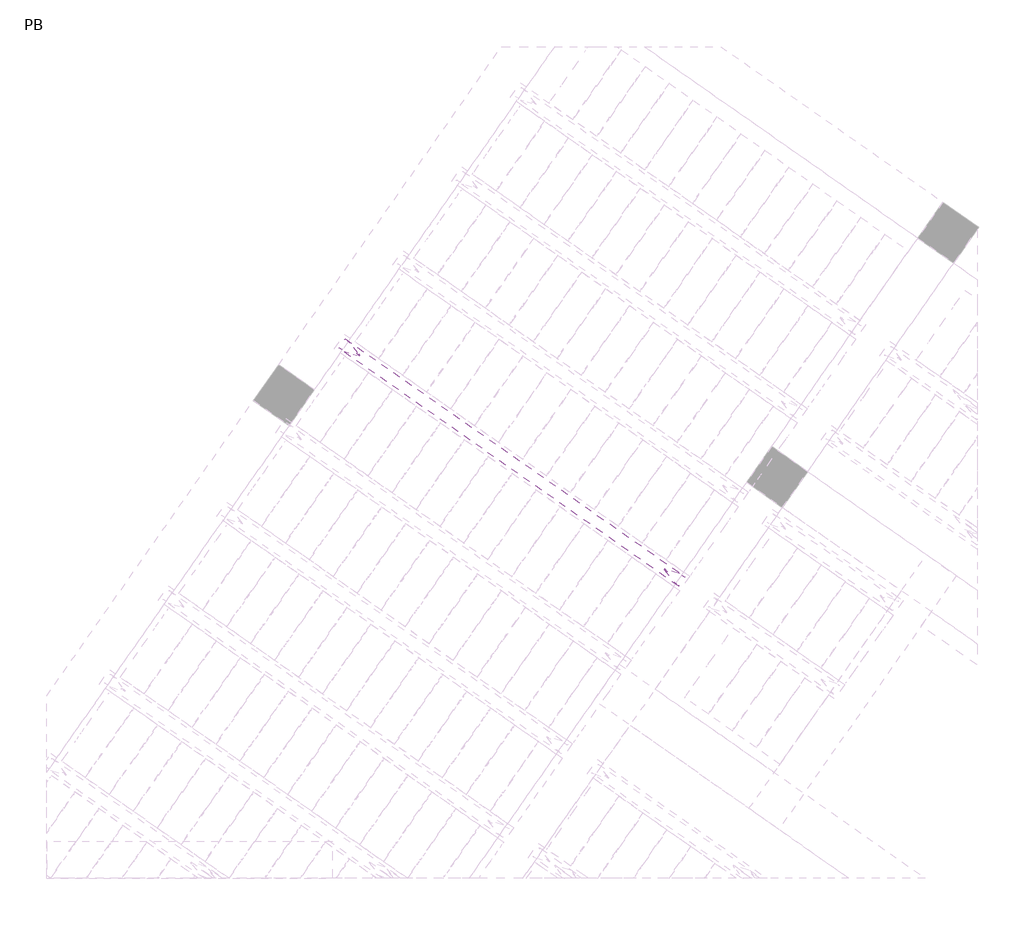
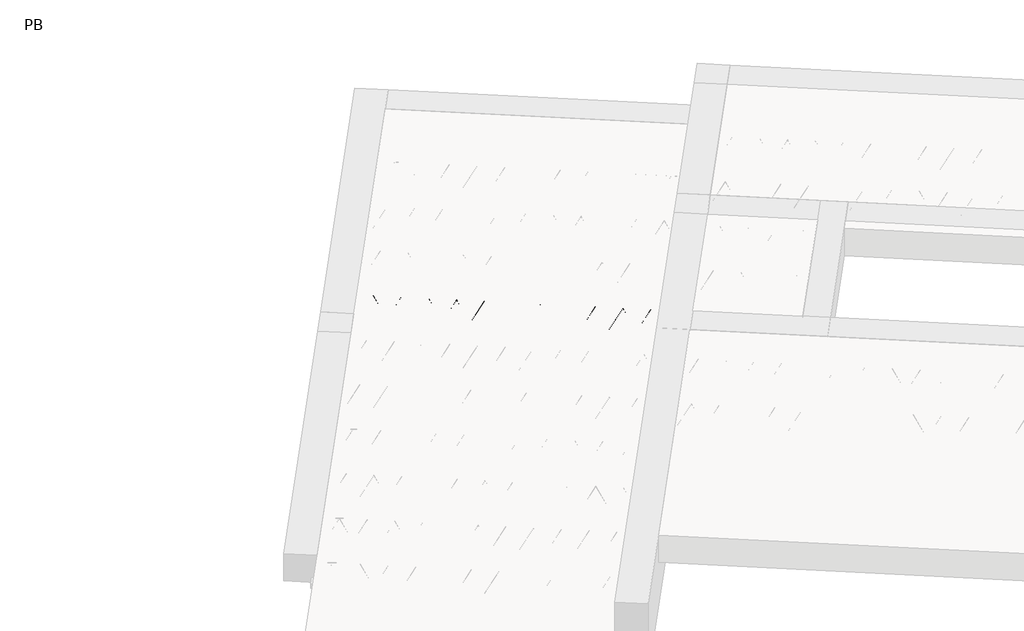
# One storey, part 40 of 56: 1 beam.
"""IFC4 building model written with IfcOpenShell, lengths in millimetres."""

from ifc_helpers import new_model, si_unit, point, frame, origin, origin_2d, place, context, project, spatial, circle_curve, trimmed, segment, composite_curve, outline, extrude, element, save

model = new_model("IFC4")

# Units and contexts
model_context = context("Model", 3, world=origin())
ifc_project = project(units=[si_unit("LENGTHUNIT", "METRE", prefix="MILLI")], contexts=[model_context])

# Site, building, storey
site = spatial("IfcSite", under=ifc_project)
building = spatial("IfcBuilding", under=site)
storey = spatial("IfcBuildingStorey", under=building, Name="PB", Elevation=95940.0)

# Beam
placement = place(None, origin())
element("IfcBeam", 1, at=placement, inside=storey, context=model_context, shape_type="SweptSolid", body=[
    extrude(outline(composite_curve([segment(trimmed(circle_curve(origin_2d(), 2.5), [point((-2.5, 0.0))], [point((2.5, 0.0))], False, "CARTESIAN"), True, "CONTINUOUS"), segment(trimmed(circle_curve(origin_2d(), 2.5), [point((2.5, 0.0))], [point((-2.5, 0.0))], False, "CARTESIAN"), True, "CONTINUOUS")], self_intersect=False)), frame((5157.5366341, 6782.6733241, 98785.0), z_axis=(-0.8191520442696126, 0.5735764363787226, 0.0), x_axis=(0.5735764363787226, 0.8191520442696126, 0.0)), (0.0, 0.0, 1.0), 2836.426738),
    extrude(outline(composite_curve([segment(trimmed(circle_curve(origin_2d(), 2.5), [point((-2.5, 0.0))], [point((2.5, 0.0))], False, "CARTESIAN"), True, "CONTINUOUS"), segment(trimmed(circle_curve(origin_2d(), 2.5), [point((2.5, 0.0))], [point((-2.5, 0.0))], False, "CARTESIAN"), True, "CONTINUOUS")], self_intersect=False)), frame((5081.3506627, 6879.9672007, 99010.0), z_axis=(-0.8191520442696126, 0.5735764363787226, 0.0), x_axis=(0.5735764363787226, 0.8191520442696126, 0.0)), (0.0, 0.0, 1.0), 2600.0),
    extrude(outline(composite_curve([segment(trimmed(circle_curve(origin_2d(), 2.5), [point((-2.5, 0.0))], [point((2.5, 0.0))], False, "CARTESIAN"), True, "CONTINUOUS"), segment(trimmed(circle_curve(origin_2d(), 2.5), [point((2.5, 0.0))], [point((-2.5, 0.0))], False, "CARTESIAN"), True, "CONTINUOUS")], self_intersect=False)), frame((5122.1383143, 6807.4594944, 98785.0), z_axis=(-0.3145304735701046, 0.38933448886848654, 0.8657304643902053), x_axis=(0.7778747638402499, 0.6284193279813057, 0.0)), (0.0, 0.0, 1.0), 259.8961331),
    extrude(outline(composite_curve([segment(trimmed(circle_curve(origin_2d(), 2.5), [point((2.5, 0.0))], [point((-2.5, 0.0))], False, "CARTESIAN"), True, "CONTINUOUS"), segment(trimmed(circle_curve(origin_2d(), 2.5), [point((-2.5, 0.0))], [point((2.5, 0.0))], False, "CARTESIAN"), True, "CONTINUOUS")], self_intersect=False)), frame((4917.3503033, 6950.8536035, 98785.0), z_axis=(0.47343050384693375, -0.16240172737369005, 0.8657304643902051), x_axis=(-0.3244721671091268, -0.9458952440791246, 0.0)), (0.0, 0.0, 1.0), 259.8961331),
    extrude(outline(composite_curve([segment(trimmed(circle_curve(origin_2d(), 2.5), [point((-2.5, 0.0))], [point((2.5, 0.0))], False, "CARTESIAN"), True, "CONTINUOUS"), segment(trimmed(circle_curve(origin_2d(), 2.5), [point((2.5, 0.0))], [point((-2.5, 0.0))], False, "CARTESIAN"), True, "CONTINUOUS")], self_intersect=False)), frame((4917.3503033, 6950.8536035, 98785.0), z_axis=(-0.3145304735701046, 0.38933448886848654, 0.8657304643902053), x_axis=(0.7778747638402499, 0.6284193279813057, 0.0)), (0.0, 0.0, 1.0), 259.8961331),
    extrude(outline(composite_curve([segment(trimmed(circle_curve(origin_2d(), 2.5), [point((2.5, 0.0))], [point((-2.5, 0.0))], False, "CARTESIAN"), True, "CONTINUOUS"), segment(trimmed(circle_curve(origin_2d(), 2.5), [point((-2.5, 0.0))], [point((2.5, 0.0))], False, "CARTESIAN"), True, "CONTINUOUS")], self_intersect=False)), frame((4712.5622922, 7094.2477126, 98785.0), z_axis=(0.47343050384693375, -0.16240172737369005, 0.8657304643902051), x_axis=(-0.3244721671091268, -0.9458952440791246, 0.0)), (0.0, 0.0, 1.0), 259.8961331),
    extrude(outline(composite_curve([segment(trimmed(circle_curve(origin_2d(), 2.5), [point((-2.5, 0.0))], [point((2.5, 0.0))], False, "CARTESIAN"), True, "CONTINUOUS"), segment(trimmed(circle_curve(origin_2d(), 2.5), [point((2.5, 0.0))], [point((-2.5, 0.0))], False, "CARTESIAN"), True, "CONTINUOUS")], self_intersect=False)), frame((4712.5622922, 7094.2477126, 98785.0), z_axis=(-0.3145304735701046, 0.38933448886848654, 0.8657304643902053), x_axis=(0.7778747638402499, 0.6284193279813057, 0.0)), (0.0, 0.0, 1.0), 259.8961331),
    extrude(outline(composite_curve([segment(trimmed(circle_curve(origin_2d(), 2.5), [point((2.5, 0.0))], [point((-2.5, 1e-07))], False, "CARTESIAN"), True, "CONTINUOUS"), segment(trimmed(circle_curve(origin_2d(), 2.5), [point((-2.5, 1e-07))], [point((2.5, 0.0))], False, "CARTESIAN"), True, "CONTINUOUS")], self_intersect=False)), frame((4507.7742811, 7237.6418217, 98785.0), z_axis=(0.47343050384693375, -0.16240172737369005, 0.8657304643902051), x_axis=(-0.3244721671091268, -0.9458952440791246, 0.0)), (0.0, 0.0, 1.0), 259.8961331),
    extrude(outline(composite_curve([segment(trimmed(circle_curve(origin_2d(), 2.5), [point((-2.5, 0.0))], [point((2.5000001, -1e-07))], False, "CARTESIAN"), True, "CONTINUOUS"), segment(trimmed(circle_curve(origin_2d(), 2.5), [point((2.5000001, -1e-07))], [point((-2.5, 0.0))], False, "CARTESIAN"), True, "CONTINUOUS")], self_intersect=False)), frame((4507.7742811, 7237.6418217, 98785.0), z_axis=(-0.3145304735701046, 0.38933448886848654, 0.8657304643902053), x_axis=(0.7778747638402499, 0.6284193279813057, 0.0)), (0.0, 0.0, 1.0), 259.8961331),
    extrude(outline(composite_curve([segment(trimmed(circle_curve(origin_2d(), 2.5), [point((2.5, 0.0))], [point((-2.5, 0.0))], False, "CARTESIAN"), True, "CONTINUOUS"), segment(trimmed(circle_curve(origin_2d(), 2.5), [point((-2.5, 0.0))], [point((2.5, 0.0))], False, "CARTESIAN"), True, "CONTINUOUS")], self_intersect=False)), frame((4302.9862701, 7381.0359308, 98785.0), z_axis=(0.47343050384693375, -0.16240172737369005, 0.8657304643902051), x_axis=(-0.3244721671091268, -0.9458952440791246, 0.0)), (0.0, 0.0, 1.0), 259.8961331),
    extrude(outline(composite_curve([segment(trimmed(circle_curve(origin_2d(), 2.5), [point((-2.5, -1e-07))], [point((2.5, 0.0))], False, "CARTESIAN"), True, "CONTINUOUS"), segment(trimmed(circle_curve(origin_2d(), 2.5), [point((2.5, 0.0))], [point((-2.5, -1e-07))], False, "CARTESIAN"), True, "CONTINUOUS")], self_intersect=False)), frame((4302.9862702, 7381.0359307, 98785.0), z_axis=(-0.3145304735701046, 0.38933448886848654, 0.8657304643902053), x_axis=(0.7778747638402499, 0.6284193279813057, 0.0)), (0.0, 0.0, 1.0), 259.8961331),
    extrude(outline(composite_curve([segment(trimmed(circle_curve(origin_2d(), 2.5), [point((2.5000001, 0.0))], [point((-2.5, 0.0))], False, "CARTESIAN"), True, "CONTINUOUS"), segment(trimmed(circle_curve(origin_2d(), 2.5), [point((-2.5, 0.0))], [point((2.5000001, 0.0))], False, "CARTESIAN"), True, "CONTINUOUS")], self_intersect=False)), frame((4098.1982592, 7524.4300398, 98785.0), z_axis=(0.47343050384693375, -0.16240172737369005, 0.8657304643902051), x_axis=(-0.3244721671091268, -0.9458952440791246, 0.0)), (0.0, 0.0, 1.0), 259.8961331),
    extrude(outline(composite_curve([segment(trimmed(circle_curve(origin_2d(), 2.5), [point((-2.5, -1e-07))], [point((2.5, 0.0))], False, "CARTESIAN"), True, "CONTINUOUS"), segment(trimmed(circle_curve(origin_2d(), 2.5), [point((2.5, 0.0))], [point((-2.5, -1e-07))], False, "CARTESIAN"), True, "CONTINUOUS")], self_intersect=False)), frame((4098.1982592, 7524.4300398, 98785.0), z_axis=(-0.3145304735701046, 0.38933448886848654, 0.8657304643902053), x_axis=(0.7778747638402499, 0.6284193279813057, 0.0)), (0.0, 0.0, 1.0), 259.8961331),
    extrude(outline(composite_curve([segment(trimmed(circle_curve(origin_2d(), 2.5), [point((2.5000001, 0.0))], [point((-2.5, 0.0))], False, "CARTESIAN"), True, "CONTINUOUS"), segment(trimmed(circle_curve(origin_2d(), 2.5), [point((-2.5, 0.0))], [point((2.5000001, 0.0))], False, "CARTESIAN"), True, "CONTINUOUS")], self_intersect=False)), frame((3893.4102481, 7667.8241489, 98785.0), z_axis=(0.47343050384693375, -0.16240172737369005, 0.8657304643902051), x_axis=(-0.3244721671091268, -0.9458952440791246, 0.0)), (0.0, 0.0, 1.0), 259.8961331),
    extrude(outline(composite_curve([segment(trimmed(circle_curve(origin_2d(), 2.5), [point((-2.5, -1e-07))], [point((2.5, 0.0))], False, "CARTESIAN"), True, "CONTINUOUS"), segment(trimmed(circle_curve(origin_2d(), 2.5), [point((2.5, 0.0))], [point((-2.5, -1e-07))], False, "CARTESIAN"), True, "CONTINUOUS")], self_intersect=False)), frame((3893.4102481, 7667.8241489, 98785.0), z_axis=(-0.3145304735701046, 0.38933448886848654, 0.8657304643902053), x_axis=(0.7778747638402499, 0.6284193279813057, 0.0)), (0.0, 0.0, 1.0), 259.8961331),
    extrude(outline(composite_curve([segment(trimmed(circle_curve(origin_2d(), 2.5), [point((2.5, 0.0))], [point((-2.5000001, 0.0))], False, "CARTESIAN"), True, "CONTINUOUS"), segment(trimmed(circle_curve(origin_2d(), 2.5), [point((-2.5000001, 0.0))], [point((2.5, 0.0))], False, "CARTESIAN"), True, "CONTINUOUS")], self_intersect=False)), frame((3688.622237, 7811.2182579, 98785.0), z_axis=(0.47343050384693375, -0.16240172737369005, 0.8657304643902051), x_axis=(-0.3244721671091268, -0.9458952440791246, 0.0)), (0.0, 0.0, 1.0), 259.8961331),
    extrude(outline(composite_curve([segment(trimmed(circle_curve(origin_2d(), 2.5), [point((-2.5, 0.0))], [point((2.5, 1e-07))], False, "CARTESIAN"), True, "CONTINUOUS"), segment(trimmed(circle_curve(origin_2d(), 2.5), [point((2.5, 1e-07))], [point((-2.5, 0.0))], False, "CARTESIAN"), True, "CONTINUOUS")], self_intersect=False)), frame((3688.622237, 7811.2182579, 98785.0), z_axis=(-0.3145304735701046, 0.38933448886848654, 0.8657304643902053), x_axis=(0.7778747638402499, 0.6284193279813057, 0.0)), (0.0, 0.0, 1.0), 259.8961331),
    extrude(outline(composite_curve([segment(trimmed(circle_curve(origin_2d(), 2.5), [point((2.5, 0.0))], [point((-2.5000001, 0.0))], False, "CARTESIAN"), True, "CONTINUOUS"), segment(trimmed(circle_curve(origin_2d(), 2.5), [point((-2.5000001, 0.0))], [point((2.5, 0.0))], False, "CARTESIAN"), True, "CONTINUOUS")], self_intersect=False)), frame((3483.834226, 7954.612367, 98785.0), z_axis=(0.47343050384693375, -0.16240172737369005, 0.8657304643902051), x_axis=(-0.3244721671091268, -0.9458952440791246, 0.0)), (0.0, 0.0, 1.0), 259.8961331),
    extrude(outline(composite_curve([segment(trimmed(circle_curve(origin_2d(), 2.5), [point((-2.5, 0.0))], [point((2.5, 1e-07))], False, "CARTESIAN"), True, "CONTINUOUS"), segment(trimmed(circle_curve(origin_2d(), 2.5), [point((2.5, 1e-07))], [point((-2.5, 0.0))], False, "CARTESIAN"), True, "CONTINUOUS")], self_intersect=False)), frame((3483.834226, 7954.612367, 98785.0), z_axis=(-0.3145304735701046, 0.38933448886848654, 0.8657304643902053), x_axis=(0.7778747638402499, 0.6284193279813057, 0.0)), (0.0, 0.0, 1.0), 259.8961331),
    extrude(outline(composite_curve([segment(trimmed(circle_curve(origin_2d(), 2.5), [point((2.5, 0.0))], [point((-2.5, 0.0))], False, "CARTESIAN"), True, "CONTINUOUS"), segment(trimmed(circle_curve(origin_2d(), 2.5), [point((-2.5, 0.0))], [point((2.5, 0.0))], False, "CARTESIAN"), True, "CONTINUOUS")], self_intersect=False)), frame((3279.0462149, 8098.0064761, 98785.0), z_axis=(0.47343050384693375, -0.16240172737369005, 0.8657304643902051), x_axis=(-0.3244721671091268, -0.9458952440791246, 0.0)), (0.0, 0.0, 1.0), 259.8961331),
    extrude(outline(composite_curve([segment(trimmed(circle_curve(origin_2d(), 2.5), [point((-2.5, 0.0))], [point((2.5, 1e-07))], False, "CARTESIAN"), True, "CONTINUOUS"), segment(trimmed(circle_curve(origin_2d(), 2.5), [point((2.5, 1e-07))], [point((-2.5, 0.0))], False, "CARTESIAN"), True, "CONTINUOUS")], self_intersect=False)), frame((3279.0462149, 8098.0064761, 98785.0), z_axis=(-0.3145304735701046, 0.38933448886848654, 0.8657304643902053), x_axis=(0.7778747638402499, 0.6284193279813057, 0.0)), (0.0, 0.0, 1.0), 259.8961331),
    extrude(outline(composite_curve([segment(trimmed(circle_curve(origin_2d(), 2.5), [point((2.5, 0.0))], [point((-2.5, 1e-07))], False, "CARTESIAN"), True, "CONTINUOUS"), segment(trimmed(circle_curve(origin_2d(), 2.5), [point((-2.5, 1e-07))], [point((2.5, 0.0))], False, "CARTESIAN"), True, "CONTINUOUS")], self_intersect=False)), frame((3074.2582038, 8241.4005852, 98785.0), z_axis=(0.47343050384693375, -0.16240172737369005, 0.8657304643902051), x_axis=(-0.3244721671091268, -0.9458952440791246, 0.0)), (0.0, 0.0, 1.0), 259.8961331),
    extrude(outline(composite_curve([segment(trimmed(circle_curve(origin_2d(), 2.5), [point((-2.5, 0.0))], [point((2.5, 1e-07))], False, "CARTESIAN"), True, "CONTINUOUS"), segment(trimmed(circle_curve(origin_2d(), 2.5), [point((2.5, 1e-07))], [point((-2.5, 0.0))], False, "CARTESIAN"), True, "CONTINUOUS")], self_intersect=False)), frame((3074.2582038, 8241.4005852, 98785.0), z_axis=(-0.3145304735701046, 0.38933448886848654, 0.8657304643902053), x_axis=(0.7778747638402499, 0.6284193279813057, 0.0)), (0.0, 0.0, 1.0), 259.8961331),
    extrude(outline(composite_curve([segment(trimmed(circle_curve(origin_2d(), 2.5), [point((2.5, 0.0))], [point((-2.5, 0.0))], False, "CARTESIAN"), True, "CONTINUOUS"), segment(trimmed(circle_curve(origin_2d(), 2.5), [point((-2.5, 0.0))], [point((2.5, 0.0))], False, "CARTESIAN"), True, "CONTINUOUS")], self_intersect=False)), frame((2869.4701928, 8384.7946943, 98785.0), z_axis=(0.47343050384693375, -0.16240172737369005, 0.8657304643902051), x_axis=(-0.3244721671091268, -0.9458952440791246, 0.0)), (0.0, 0.0, 1.0), 259.8961331),
    extrude(outline(composite_curve([segment(trimmed(circle_curve(origin_2d(), 2.5), [point((-2.5, 0.0))], [point((2.5, 0.0))], False, "CARTESIAN"), True, "CONTINUOUS"), segment(trimmed(circle_curve(origin_2d(), 2.5), [point((2.5, 0.0))], [point((-2.5, 0.0))], False, "CARTESIAN"), True, "CONTINUOUS")], self_intersect=False)), frame((5198.8341375, 6841.6522713, 98785.0), z_axis=(-0.8191520442696126, 0.5735764363787226, 0.0), x_axis=(0.5735764363787226, 0.8191520442696126, 0.0)), (0.0, 0.0, 1.0), 2836.426738),
    extrude(outline(composite_curve([segment(trimmed(circle_curve(origin_2d(), 2.5), [point((-2.5, 1e-07))], [point((2.5, 0.0))], False, "CARTESIAN"), True, "CONTINUOUS"), segment(trimmed(circle_curve(origin_2d(), 2.5), [point((2.5, 0.0))], [point((-2.5, 1e-07))], False, "CARTESIAN"), True, "CONTINUOUS")], self_intersect=False)), frame((5163.4358178, 6866.4384416, 98785.0), z_axis=(-0.47343050384693375, 0.16240172737369005, 0.8657304643902051), x_axis=(0.3244721671091268, 0.9458952440791246, 0.0)), (0.0, 0.0, 1.0), 259.8961331),
    extrude(outline(composite_curve([segment(trimmed(circle_curve(origin_2d(), 2.5), [point((2.5, 0.0))], [point((-2.5, 0.0))], False, "CARTESIAN"), True, "CONTINUOUS"), segment(trimmed(circle_curve(origin_2d(), 2.5), [point((-2.5, 0.0))], [point((2.5, 0.0))], False, "CARTESIAN"), True, "CONTINUOUS")], self_intersect=False)), frame((4958.6478067, 7009.8325507, 98785.0), z_axis=(0.3145304735701046, -0.38933448886848654, 0.8657304643902053), x_axis=(-0.7778747638402499, -0.6284193279813057, 0.0)), (0.0, 0.0, 1.0), 259.8961331),
    extrude(outline(composite_curve([segment(trimmed(circle_curve(origin_2d(), 2.5), [point((-2.5, 0.0))], [point((2.5, 0.0))], False, "CARTESIAN"), True, "CONTINUOUS"), segment(trimmed(circle_curve(origin_2d(), 2.5), [point((2.5, 0.0))], [point((-2.5, 0.0))], False, "CARTESIAN"), True, "CONTINUOUS")], self_intersect=False)), frame((4958.6478067, 7009.8325507, 98785.0), z_axis=(-0.47343050384693375, 0.16240172737369005, 0.8657304643902051), x_axis=(0.3244721671091268, 0.9458952440791246, 0.0)), (0.0, 0.0, 1.0), 259.8961331),
    extrude(outline(composite_curve([segment(trimmed(circle_curve(origin_2d(), 2.5), [point((2.5, 0.0))], [point((-2.5, 0.0))], False, "CARTESIAN"), True, "CONTINUOUS"), segment(trimmed(circle_curve(origin_2d(), 2.5), [point((-2.5, 0.0))], [point((2.5, 0.0))], False, "CARTESIAN"), True, "CONTINUOUS")], self_intersect=False)), frame((4753.8597956, 7153.2266598, 98785.0), z_axis=(0.3145304735701046, -0.38933448886848654, 0.8657304643902053), x_axis=(-0.7778747638402499, -0.6284193279813057, 0.0)), (0.0, 0.0, 1.0), 259.8961331),
    extrude(outline(composite_curve([segment(trimmed(circle_curve(origin_2d(), 2.5), [point((-2.5, 0.0))], [point((2.5, 0.0))], False, "CARTESIAN"), True, "CONTINUOUS"), segment(trimmed(circle_curve(origin_2d(), 2.5), [point((2.5, 0.0))], [point((-2.5, 0.0))], False, "CARTESIAN"), True, "CONTINUOUS")], self_intersect=False)), frame((4753.8597956, 7153.2266598, 98785.0), z_axis=(-0.47343050384693375, 0.16240172737369005, 0.8657304643902051), x_axis=(0.3244721671091268, 0.9458952440791246, 0.0)), (0.0, 0.0, 1.0), 259.8961331),
    extrude(outline(composite_curve([segment(trimmed(circle_curve(origin_2d(), 2.5), [point((2.5, 0.0))], [point((-2.5, 0.0))], False, "CARTESIAN"), True, "CONTINUOUS"), segment(trimmed(circle_curve(origin_2d(), 2.5), [point((-2.5, 0.0))], [point((2.5, 0.0))], False, "CARTESIAN"), True, "CONTINUOUS")], self_intersect=False)), frame((4549.0717846, 7296.6207689, 98785.0), z_axis=(0.3145304735701046, -0.38933448886848654, 0.8657304643902053), x_axis=(-0.7778747638402499, -0.6284193279813057, 0.0)), (0.0, 0.0, 1.0), 259.8961331),
    extrude(outline(composite_curve([segment(trimmed(circle_curve(origin_2d(), 2.5), [point((-2.5, 1e-07))], [point((2.5, 0.0))], False, "CARTESIAN"), True, "CONTINUOUS"), segment(trimmed(circle_curve(origin_2d(), 2.5), [point((2.5, 0.0))], [point((-2.5, 1e-07))], False, "CARTESIAN"), True, "CONTINUOUS")], self_intersect=False)), frame((4549.0717846, 7296.6207689, 98785.0), z_axis=(-0.47343050384693375, 0.16240172737369005, 0.8657304643902051), x_axis=(0.3244721671091268, 0.9458952440791246, 0.0)), (0.0, 0.0, 1.0), 259.8961331),
    extrude(outline(composite_curve([segment(trimmed(circle_curve(origin_2d(), 2.5), [point((2.5, 1e-07))], [point((-2.5, 0.0))], False, "CARTESIAN"), True, "CONTINUOUS"), segment(trimmed(circle_curve(origin_2d(), 2.5), [point((-2.5, 0.0))], [point((2.5, 1e-07))], False, "CARTESIAN"), True, "CONTINUOUS")], self_intersect=False)), frame((4344.2837735, 7440.014878, 98785.0), z_axis=(0.3145304735701046, -0.38933448886848654, 0.8657304643902053), x_axis=(-0.7778747638402499, -0.6284193279813057, 0.0)), (0.0, 0.0, 1.0), 259.8961331),
    extrude(outline(composite_curve([segment(trimmed(circle_curve(origin_2d(), 2.5), [point((-2.5000001, 0.0))], [point((2.5, 0.0))], False, "CARTESIAN"), True, "CONTINUOUS"), segment(trimmed(circle_curve(origin_2d(), 2.5), [point((2.5, 0.0))], [point((-2.5000001, 0.0))], False, "CARTESIAN"), True, "CONTINUOUS")], self_intersect=False)), frame((4344.2837737, 7440.0148779, 98785.0), z_axis=(-0.47343050384693375, 0.16240172737369005, 0.8657304643902051), x_axis=(0.3244721671091268, 0.9458952440791246, 0.0)), (0.0, 0.0, 1.0), 259.8961331),
    extrude(outline(composite_curve([segment(trimmed(circle_curve(origin_2d(), 2.5), [point((2.5, 0.0))], [point((-2.5, -1e-07))], False, "CARTESIAN"), True, "CONTINUOUS"), segment(trimmed(circle_curve(origin_2d(), 2.5), [point((-2.5, -1e-07))], [point((2.5, 0.0))], False, "CARTESIAN"), True, "CONTINUOUS")], self_intersect=False)), frame((4139.4957626, 7583.4089869, 98785.0), z_axis=(0.3145304735701046, -0.38933448886848654, 0.8657304643902053), x_axis=(-0.7778747638402499, -0.6284193279813057, 0.0)), (0.0, 0.0, 1.0), 259.8961331),
    extrude(outline(composite_curve([segment(trimmed(circle_curve(origin_2d(), 2.5), [point((-2.5, 0.0))], [point((2.5000001, 0.0))], False, "CARTESIAN"), True, "CONTINUOUS"), segment(trimmed(circle_curve(origin_2d(), 2.5), [point((2.5000001, 0.0))], [point((-2.5, 0.0))], False, "CARTESIAN"), True, "CONTINUOUS")], self_intersect=False)), frame((4139.4957626, 7583.4089869, 98785.0), z_axis=(-0.47343050384693375, 0.16240172737369005, 0.8657304643902051), x_axis=(0.3244721671091268, 0.9458952440791246, 0.0)), (0.0, 0.0, 1.0), 259.8961331),
    extrude(outline(composite_curve([segment(trimmed(circle_curve(origin_2d(), 2.5), [point((2.5, 0.0))], [point((-2.5, -1e-07))], False, "CARTESIAN"), True, "CONTINUOUS"), segment(trimmed(circle_curve(origin_2d(), 2.5), [point((-2.5, -1e-07))], [point((2.5, 0.0))], False, "CARTESIAN"), True, "CONTINUOUS")], self_intersect=False)), frame((3934.7077515, 7726.803096, 98785.0), z_axis=(0.3145304735701046, -0.38933448886848654, 0.8657304643902053), x_axis=(-0.7778747638402499, -0.6284193279813057, 0.0)), (0.0, 0.0, 1.0), 259.8961331),
    extrude(outline(composite_curve([segment(trimmed(circle_curve(origin_2d(), 2.5), [point((-2.5, 0.0))], [point((2.5000001, 0.0))], False, "CARTESIAN"), True, "CONTINUOUS"), segment(trimmed(circle_curve(origin_2d(), 2.5), [point((2.5000001, 0.0))], [point((-2.5, 0.0))], False, "CARTESIAN"), True, "CONTINUOUS")], self_intersect=False)), frame((3934.7077515, 7726.803096, 98785.0), z_axis=(-0.47343050384693375, 0.16240172737369005, 0.8657304643902051), x_axis=(0.3244721671091268, 0.9458952440791246, 0.0)), (0.0, 0.0, 1.0), 259.8961331),
    extrude(outline(composite_curve([segment(trimmed(circle_curve(origin_2d(), 2.5), [point((2.5000001, -1e-07))], [point((-2.5, -1e-07))], False, "CARTESIAN"), True, "CONTINUOUS"), segment(trimmed(circle_curve(origin_2d(), 2.5), [point((-2.5, -1e-07))], [point((2.5000001, -1e-07))], False, "CARTESIAN"), True, "CONTINUOUS")], self_intersect=False)), frame((3729.9197405, 7870.1972051, 98785.0), z_axis=(0.3145304735701046, -0.38933448886848654, 0.8657304643902053), x_axis=(-0.7778747638402499, -0.6284193279813057, 0.0)), (0.0, 0.0, 1.0), 259.8961331),
    extrude(outline(composite_curve([segment(trimmed(circle_curve(origin_2d(), 2.5), [point((-2.5, 1e-07))], [point((2.5, 0.0))], False, "CARTESIAN"), True, "CONTINUOUS"), segment(trimmed(circle_curve(origin_2d(), 2.5), [point((2.5, 0.0))], [point((-2.5, 1e-07))], False, "CARTESIAN"), True, "CONTINUOUS")], self_intersect=False)), frame((3729.9197405, 7870.1972051, 98785.0), z_axis=(-0.47343050384693375, 0.16240172737369005, 0.8657304643902051), x_axis=(0.3244721671091268, 0.9458952440791246, 0.0)), (0.0, 0.0, 1.0), 259.8961331),
    extrude(outline(composite_curve([segment(trimmed(circle_curve(origin_2d(), 2.5), [point((2.5, 0.0))], [point((-2.5, -1e-07))], False, "CARTESIAN"), True, "CONTINUOUS"), segment(trimmed(circle_curve(origin_2d(), 2.5), [point((-2.5, -1e-07))], [point((2.5, 0.0))], False, "CARTESIAN"), True, "CONTINUOUS")], self_intersect=False)), frame((3525.1317294, 8013.5913142, 98785.0), z_axis=(0.3145304735701046, -0.38933448886848654, 0.8657304643902053), x_axis=(-0.7778747638402499, -0.6284193279813057, 0.0)), (0.0, 0.0, 1.0), 259.8961331),
    extrude(outline(composite_curve([segment(trimmed(circle_curve(origin_2d(), 2.5), [point((-2.5, 0.0))], [point((2.5, 0.0))], False, "CARTESIAN"), True, "CONTINUOUS"), segment(trimmed(circle_curve(origin_2d(), 2.5), [point((2.5, 0.0))], [point((-2.5, 0.0))], False, "CARTESIAN"), True, "CONTINUOUS")], self_intersect=False)), frame((3525.1317294, 8013.5913142, 98785.0), z_axis=(-0.47343050384693375, 0.16240172737369005, 0.8657304643902051), x_axis=(0.3244721671091268, 0.9458952440791246, 0.0)), (0.0, 0.0, 1.0), 259.8961331),
    extrude(outline(composite_curve([segment(trimmed(circle_curve(origin_2d(), 2.5), [point((2.5, 0.0))], [point((-2.5, 0.0))], False, "CARTESIAN"), True, "CONTINUOUS"), segment(trimmed(circle_curve(origin_2d(), 2.5), [point((-2.5, 0.0))], [point((2.5, 0.0))], False, "CARTESIAN"), True, "CONTINUOUS")], self_intersect=False)), frame((3320.3437183, 8156.9854233, 98785.0), z_axis=(0.3145304735701046, -0.38933448886848654, 0.8657304643902053), x_axis=(-0.7778747638402499, -0.6284193279813057, 0.0)), (0.0, 0.0, 1.0), 259.8961331),
    extrude(outline(composite_curve([segment(trimmed(circle_curve(origin_2d(), 2.5), [point((-2.5, 0.0))], [point((2.5, 0.0))], False, "CARTESIAN"), True, "CONTINUOUS"), segment(trimmed(circle_curve(origin_2d(), 2.5), [point((2.5, 0.0))], [point((-2.5, 0.0))], False, "CARTESIAN"), True, "CONTINUOUS")], self_intersect=False)), frame((3320.3437183, 8156.9854233, 98785.0), z_axis=(-0.47343050384693375, 0.16240172737369005, 0.8657304643902051), x_axis=(0.3244721671091268, 0.9458952440791246, 0.0)), (0.0, 0.0, 1.0), 259.8961331),
    extrude(outline(composite_curve([segment(trimmed(circle_curve(origin_2d(), 2.5), [point((2.5000001, -1e-07))], [point((-2.5, 0.0))], False, "CARTESIAN"), True, "CONTINUOUS"), segment(trimmed(circle_curve(origin_2d(), 2.5), [point((-2.5, 0.0))], [point((2.5000001, -1e-07))], False, "CARTESIAN"), True, "CONTINUOUS")], self_intersect=False)), frame((3115.5557073, 8300.3795324, 98785.0), z_axis=(0.3145304735701046, -0.38933448886848654, 0.8657304643902053), x_axis=(-0.7778747638402499, -0.6284193279813057, 0.0)), (0.0, 0.0, 1.0), 259.8961331),
    extrude(outline(composite_curve([segment(trimmed(circle_curve(origin_2d(), 2.5), [point((-2.5, 1e-07))], [point((2.5, 0.0))], False, "CARTESIAN"), True, "CONTINUOUS"), segment(trimmed(circle_curve(origin_2d(), 2.5), [point((2.5, 0.0))], [point((-2.5, 1e-07))], False, "CARTESIAN"), True, "CONTINUOUS")], self_intersect=False)), frame((3115.5557073, 8300.3795324, 98785.0), z_axis=(-0.47343050384693375, 0.16240172737369005, 0.8657304643902051), x_axis=(0.3244721671091268, 0.9458952440791246, 0.0)), (0.0, 0.0, 1.0), 259.8961331),
    extrude(outline(composite_curve([segment(trimmed(circle_curve(origin_2d(), 2.5), [point((2.5, 0.0))], [point((-2.5, 0.0))], False, "CARTESIAN"), True, "CONTINUOUS"), segment(trimmed(circle_curve(origin_2d(), 2.5), [point((-2.5, 0.0))], [point((2.5, 0.0))], False, "CARTESIAN"), True, "CONTINUOUS")], self_intersect=False)), frame((2910.7676962, 8443.7736415, 98785.0), z_axis=(0.3145304735701046, -0.38933448886848654, 0.8657304643902053), x_axis=(-0.7778747638402499, -0.6284193279813057, 0.0)), (0.0, 0.0, 1.0), 259.8961331),
])

save(model, "model.ifc")
